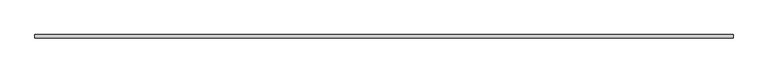
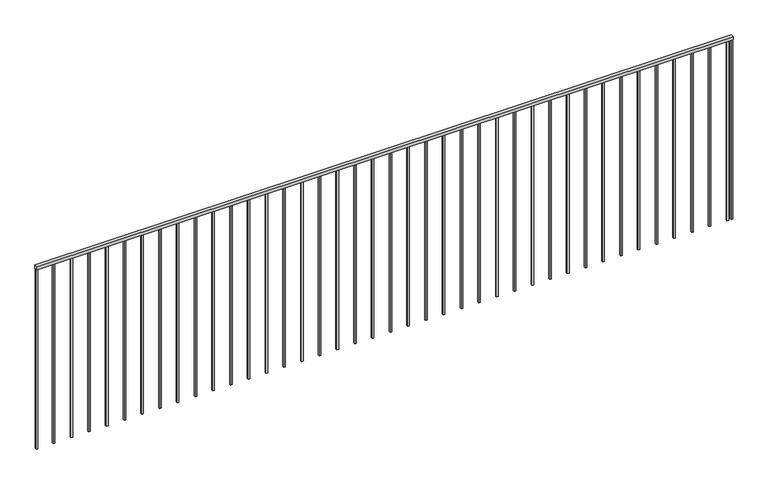
"""IFC4 building model written with IfcOpenShell, lengths in millimetres: railing geometry."""

from ifc_helpers import new_model, si_unit, frame, origin, place, context, project, spatial, polyline, outline, extrude, source, transform, mapped, element, save


def railing_1f9e8721(model_context):
    return source(origin(), model_context, "Body", "SweptSolid", [
        extrude(outline(polyline([(3637.6359883, -10744.8763614), (3637.6359883, -10694.8763614), (14437.6359883, -10694.8763614), (14437.6359883, -10744.8763614), (3637.6359883, -10744.8763614)])), frame((0.0, 0.0, 4850.0), z_axis=(0.0, 0.0, 1.0), x_axis=(1.0, 0.0, 0.0)), (0.0, 0.0, 1.0), 50.0),
        extrude(outline(polyline([(14350.1359883, -10732.3763614), (14350.1359883, -10707.3763614), (14375.1359883, -10707.3763614), (14375.1359883, -10732.3763614), (14350.1359883, -10732.3763614)])), frame((0.0, 0.0, 1900.0), z_axis=(0.0, 0.0, 1.0), x_axis=(1.0, 0.0, 0.0)), (0.0, 0.0, 1.0), 2950.0),
        extrude(outline(polyline([(14075.1359883, -10732.3763614), (14075.1359883, -10707.3763614), (14100.1359883, -10707.3763614), (14100.1359883, -10732.3763614), (14075.1359883, -10732.3763614)])), frame((0.0, 0.0, 1900.0), z_axis=(0.0, 0.0, 1.0), x_axis=(1.0, 0.0, 0.0)), (0.0, 0.0, 1.0), 2950.0),
        extrude(outline(polyline([(13800.1359883, -10732.3763614), (13800.1359883, -10707.3763614), (13825.1359883, -10707.3763614), (13825.1359883, -10732.3763614), (13800.1359883, -10732.3763614)])), frame((0.0, 0.0, 1900.0), z_axis=(0.0, 0.0, 1.0), x_axis=(1.0, 0.0, 0.0)), (0.0, 0.0, 1.0), 2950.0),
        extrude(outline(polyline([(13525.1359883, -10732.3763614), (13525.1359883, -10707.3763614), (13550.1359883, -10707.3763614), (13550.1359883, -10732.3763614), (13525.1359883, -10732.3763614)])), frame((0.0, 0.0, 1900.0), z_axis=(0.0, 0.0, 1.0), x_axis=(1.0, 0.0, 0.0)), (0.0, 0.0, 1.0), 2950.0),
        extrude(outline(polyline([(13250.1359883, -10732.3763614), (13250.1359883, -10707.3763614), (13275.1359883, -10707.3763614), (13275.1359883, -10732.3763614), (13250.1359883, -10732.3763614)])), frame((0.0, 0.0, 1900.0), z_axis=(0.0, 0.0, 1.0), x_axis=(1.0, 0.0, 0.0)), (0.0, 0.0, 1.0), 2950.0),
        extrude(outline(polyline([(12975.1359883, -10732.3763614), (12975.1359883, -10707.3763614), (13000.1359883, -10707.3763614), (13000.1359883, -10732.3763614), (12975.1359883, -10732.3763614)])), frame((0.0, 0.0, 1900.0), z_axis=(0.0, 0.0, 1.0), x_axis=(1.0, 0.0, 0.0)), (0.0, 0.0, 1.0), 2950.0),
        extrude(outline(polyline([(12700.1359883, -10732.3763614), (12700.1359883, -10707.3763614), (12725.1359883, -10707.3763614), (12725.1359883, -10732.3763614), (12700.1359883, -10732.3763614)])), frame((0.0, 0.0, 1900.0), z_axis=(0.0, 0.0, 1.0), x_axis=(1.0, 0.0, 0.0)), (0.0, 0.0, 1.0), 2950.0),
        extrude(outline(polyline([(12425.1359883, -10732.3763614), (12425.1359883, -10707.3763614), (12450.1359883, -10707.3763614), (12450.1359883, -10732.3763614), (12425.1359883, -10732.3763614)])), frame((0.0, 0.0, 1900.0), z_axis=(0.0, 0.0, 1.0), x_axis=(1.0, 0.0, 0.0)), (0.0, 0.0, 1.0), 2950.0),
        extrude(outline(polyline([(12150.1359883, -10732.3763614), (12150.1359883, -10707.3763614), (12175.1359883, -10707.3763614), (12175.1359883, -10732.3763614), (12150.1359883, -10732.3763614)])), frame((0.0, 0.0, 1900.0), z_axis=(0.0, 0.0, 1.0), x_axis=(1.0, 0.0, 0.0)), (0.0, 0.0, 1.0), 2950.0),
        extrude(outline(polyline([(11875.1359883, -10732.3763614), (11875.1359883, -10707.3763614), (11900.1359883, -10707.3763614), (11900.1359883, -10732.3763614), (11875.1359883, -10732.3763614)])), frame((0.0, 0.0, 1900.0), z_axis=(0.0, 0.0, 1.0), x_axis=(1.0, 0.0, 0.0)), (0.0, 0.0, 1.0), 2950.0),
        extrude(outline(polyline([(11600.1359883, -10732.3763614), (11600.1359883, -10707.3763614), (11625.1359883, -10707.3763614), (11625.1359883, -10732.3763614), (11600.1359883, -10732.3763614)])), frame((0.0, 0.0, 1900.0), z_axis=(0.0, 0.0, 1.0), x_axis=(1.0, 0.0, 0.0)), (0.0, 0.0, 1.0), 2950.0),
        extrude(outline(polyline([(11325.1359883, -10732.3763614), (11325.1359883, -10707.3763614), (11350.1359883, -10707.3763614), (11350.1359883, -10732.3763614), (11325.1359883, -10732.3763614)])), frame((0.0, 0.0, 1900.0), z_axis=(0.0, 0.0, 1.0), x_axis=(1.0, 0.0, 0.0)), (0.0, 0.0, 1.0), 2950.0),
        extrude(outline(polyline([(11050.1359883, -10732.3763614), (11050.1359883, -10707.3763614), (11075.1359883, -10707.3763614), (11075.1359883, -10732.3763614), (11050.1359883, -10732.3763614)])), frame((0.0, 0.0, 1900.0), z_axis=(0.0, 0.0, 1.0), x_axis=(1.0, 0.0, 0.0)), (0.0, 0.0, 1.0), 2950.0),
        extrude(outline(polyline([(10775.1359883, -10732.3763614), (10775.1359883, -10707.3763614), (10800.1359883, -10707.3763614), (10800.1359883, -10732.3763614), (10775.1359883, -10732.3763614)])), frame((0.0, 0.0, 1900.0), z_axis=(0.0, 0.0, 1.0), x_axis=(1.0, 0.0, 0.0)), (0.0, 0.0, 1.0), 2950.0),
        extrude(outline(polyline([(10500.1359883, -10732.3763614), (10500.1359883, -10707.3763614), (10525.1359883, -10707.3763614), (10525.1359883, -10732.3763614), (10500.1359883, -10732.3763614)])), frame((0.0, 0.0, 1900.0), z_axis=(0.0, 0.0, 1.0), x_axis=(1.0, 0.0, 0.0)), (0.0, 0.0, 1.0), 2950.0),
        extrude(outline(polyline([(10225.1359883, -10732.3763614), (10225.1359883, -10707.3763614), (10250.1359883, -10707.3763614), (10250.1359883, -10732.3763614), (10225.1359883, -10732.3763614)])), frame((0.0, 0.0, 1900.0), z_axis=(0.0, 0.0, 1.0), x_axis=(1.0, 0.0, 0.0)), (0.0, 0.0, 1.0), 2950.0),
        extrude(outline(polyline([(9950.1359883, -10732.3763614), (9950.1359883, -10707.3763614), (9975.1359883, -10707.3763614), (9975.1359883, -10732.3763614), (9950.1359883, -10732.3763614)])), frame((0.0, 0.0, 1900.0), z_axis=(0.0, 0.0, 1.0), x_axis=(1.0, 0.0, 0.0)), (0.0, 0.0, 1.0), 2950.0),
        extrude(outline(polyline([(9675.1359883, -10732.3763614), (9675.1359883, -10707.3763614), (9700.1359883, -10707.3763614), (9700.1359883, -10732.3763614), (9675.1359883, -10732.3763614)])), frame((0.0, 0.0, 1900.0), z_axis=(0.0, 0.0, 1.0), x_axis=(1.0, 0.0, 0.0)), (0.0, 0.0, 1.0), 2950.0),
        extrude(outline(polyline([(9400.1359883, -10732.3763614), (9400.1359883, -10707.3763614), (9425.1359883, -10707.3763614), (9425.1359883, -10732.3763614), (9400.1359883, -10732.3763614)])), frame((0.0, 0.0, 1900.0), z_axis=(0.0, 0.0, 1.0), x_axis=(1.0, 0.0, 0.0)), (0.0, 0.0, 1.0), 2950.0),
        extrude(outline(polyline([(9125.1359883, -10732.3763614), (9125.1359883, -10707.3763614), (9150.1359883, -10707.3763614), (9150.1359883, -10732.3763614), (9125.1359883, -10732.3763614)])), frame((0.0, 0.0, 1900.0), z_axis=(0.0, 0.0, 1.0), x_axis=(1.0, 0.0, 0.0)), (0.0, 0.0, 1.0), 2950.0),
        extrude(outline(polyline([(8850.1359883, -10732.3763614), (8850.1359883, -10707.3763614), (8875.1359883, -10707.3763614), (8875.1359883, -10732.3763614), (8850.1359883, -10732.3763614)])), frame((0.0, 0.0, 1900.0), z_axis=(0.0, 0.0, 1.0), x_axis=(1.0, 0.0, 0.0)), (0.0, 0.0, 1.0), 2950.0),
        extrude(outline(polyline([(8575.1359883, -10732.3763614), (8575.1359883, -10707.3763614), (8600.1359883, -10707.3763614), (8600.1359883, -10732.3763614), (8575.1359883, -10732.3763614)])), frame((0.0, 0.0, 1900.0), z_axis=(0.0, 0.0, 1.0), x_axis=(1.0, 0.0, 0.0)), (0.0, 0.0, 1.0), 2950.0),
        extrude(outline(polyline([(8300.1359883, -10732.3763614), (8300.1359883, -10707.3763614), (8325.1359883, -10707.3763614), (8325.1359883, -10732.3763614), (8300.1359883, -10732.3763614)])), frame((0.0, 0.0, 1900.0), z_axis=(0.0, 0.0, 1.0), x_axis=(1.0, 0.0, 0.0)), (0.0, 0.0, 1.0), 2950.0),
        extrude(outline(polyline([(8025.1359883, -10732.3763614), (8025.1359883, -10707.3763614), (8050.1359883, -10707.3763614), (8050.1359883, -10732.3763614), (8025.1359883, -10732.3763614)])), frame((0.0, 0.0, 1900.0), z_axis=(0.0, 0.0, 1.0), x_axis=(1.0, 0.0, 0.0)), (0.0, 0.0, 1.0), 2950.0),
        extrude(outline(polyline([(7750.1359883, -10732.3763614), (7750.1359883, -10707.3763614), (7775.1359883, -10707.3763614), (7775.1359883, -10732.3763614), (7750.1359883, -10732.3763614)])), frame((0.0, 0.0, 1900.0), z_axis=(0.0, 0.0, 1.0), x_axis=(1.0, 0.0, 0.0)), (0.0, 0.0, 1.0), 2950.0),
        extrude(outline(polyline([(7475.1359883, -10732.3763614), (7475.1359883, -10707.3763614), (7500.1359883, -10707.3763614), (7500.1359883, -10732.3763614), (7475.1359883, -10732.3763614)])), frame((0.0, 0.0, 1900.0), z_axis=(0.0, 0.0, 1.0), x_axis=(1.0, 0.0, 0.0)), (0.0, 0.0, 1.0), 2950.0),
        extrude(outline(polyline([(7200.1359883, -10732.3763614), (7200.1359883, -10707.3763614), (7225.1359883, -10707.3763614), (7225.1359883, -10732.3763614), (7200.1359883, -10732.3763614)])), frame((0.0, 0.0, 1900.0), z_axis=(0.0, 0.0, 1.0), x_axis=(1.0, 0.0, 0.0)), (0.0, 0.0, 1.0), 2950.0),
        extrude(outline(polyline([(6925.1359883, -10732.3763614), (6925.1359883, -10707.3763614), (6950.1359883, -10707.3763614), (6950.1359883, -10732.3763614), (6925.1359883, -10732.3763614)])), frame((0.0, 0.0, 1900.0), z_axis=(0.0, 0.0, 1.0), x_axis=(1.0, 0.0, 0.0)), (0.0, 0.0, 1.0), 2950.0),
        extrude(outline(polyline([(6650.1359883, -10732.3763614), (6650.1359883, -10707.3763614), (6675.1359883, -10707.3763614), (6675.1359883, -10732.3763614), (6650.1359883, -10732.3763614)])), frame((0.0, 0.0, 1900.0), z_axis=(0.0, 0.0, 1.0), x_axis=(1.0, 0.0, 0.0)), (0.0, 0.0, 1.0), 2950.0),
        extrude(outline(polyline([(6375.1359883, -10732.3763614), (6375.1359883, -10707.3763614), (6400.1359883, -10707.3763614), (6400.1359883, -10732.3763614), (6375.1359883, -10732.3763614)])), frame((0.0, 0.0, 1900.0), z_axis=(0.0, 0.0, 1.0), x_axis=(1.0, 0.0, 0.0)), (0.0, 0.0, 1.0), 2950.0),
        extrude(outline(polyline([(6100.1359883, -10732.3763614), (6100.1359883, -10707.3763614), (6125.1359883, -10707.3763614), (6125.1359883, -10732.3763614), (6100.1359883, -10732.3763614)])), frame((0.0, 0.0, 1900.0), z_axis=(0.0, 0.0, 1.0), x_axis=(1.0, 0.0, 0.0)), (0.0, 0.0, 1.0), 2950.0),
        extrude(outline(polyline([(5825.1359883, -10732.3763614), (5825.1359883, -10707.3763614), (5850.1359883, -10707.3763614), (5850.1359883, -10732.3763614), (5825.1359883, -10732.3763614)])), frame((0.0, 0.0, 1900.0), z_axis=(0.0, 0.0, 1.0), x_axis=(1.0, 0.0, 0.0)), (0.0, 0.0, 1.0), 2950.0),
        extrude(outline(polyline([(5550.1359883, -10732.3763614), (5550.1359883, -10707.3763614), (5575.1359883, -10707.3763614), (5575.1359883, -10732.3763614), (5550.1359883, -10732.3763614)])), frame((0.0, 0.0, 1900.0), z_axis=(0.0, 0.0, 1.0), x_axis=(1.0, 0.0, 0.0)), (0.0, 0.0, 1.0), 2950.0),
        extrude(outline(polyline([(5275.1359883, -10732.3763614), (5275.1359883, -10707.3763614), (5300.1359883, -10707.3763614), (5300.1359883, -10732.3763614), (5275.1359883, -10732.3763614)])), frame((0.0, 0.0, 1900.0), z_axis=(0.0, 0.0, 1.0), x_axis=(1.0, 0.0, 0.0)), (0.0, 0.0, 1.0), 2950.0),
        extrude(outline(polyline([(5000.1359883, -10732.3763614), (5000.1359883, -10707.3763614), (5025.1359883, -10707.3763614), (5025.1359883, -10732.3763614), (5000.1359883, -10732.3763614)])), frame((0.0, 0.0, 1900.0), z_axis=(0.0, 0.0, 1.0), x_axis=(1.0, 0.0, 0.0)), (0.0, 0.0, 1.0), 2950.0),
        extrude(outline(polyline([(4725.1359883, -10732.3763614), (4725.1359883, -10707.3763614), (4750.1359883, -10707.3763614), (4750.1359883, -10732.3763614), (4725.1359883, -10732.3763614)])), frame((0.0, 0.0, 1900.0), z_axis=(0.0, 0.0, 1.0), x_axis=(1.0, 0.0, 0.0)), (0.0, 0.0, 1.0), 2950.0),
        extrude(outline(polyline([(4450.1359883, -10732.3763614), (4450.1359883, -10707.3763614), (4475.1359883, -10707.3763614), (4475.1359883, -10732.3763614), (4450.1359883, -10732.3763614)])), frame((0.0, 0.0, 1900.0), z_axis=(0.0, 0.0, 1.0), x_axis=(1.0, 0.0, 0.0)), (0.0, 0.0, 1.0), 2950.0),
        extrude(outline(polyline([(4175.1359883, -10732.3763614), (4175.1359883, -10707.3763614), (4200.1359883, -10707.3763614), (4200.1359883, -10732.3763614), (4175.1359883, -10732.3763614)])), frame((0.0, 0.0, 1900.0), z_axis=(0.0, 0.0, 1.0), x_axis=(1.0, 0.0, 0.0)), (0.0, 0.0, 1.0), 2950.0),
        extrude(outline(polyline([(3900.1359883, -10732.3763614), (3900.1359883, -10707.3763614), (3925.1359883, -10707.3763614), (3925.1359883, -10732.3763614), (3900.1359883, -10732.3763614)])), frame((0.0, 0.0, 1900.0), z_axis=(0.0, 0.0, 1.0), x_axis=(1.0, 0.0, 0.0)), (0.0, 0.0, 1.0), 2950.0),
        extrude(outline(polyline([(14412.6359883, -10732.3763614), (14412.6359883, -10707.3763614), (14437.6359883, -10707.3763614), (14437.6359883, -10732.3763614), (14412.6359883, -10732.3763614)])), frame((0.0, 0.0, 1900.0), z_axis=(0.0, 0.0, 1.0), x_axis=(1.0, 0.0, 0.0)), (0.0, 0.0, 1.0), 2950.0),
        extrude(outline(polyline([(3637.6359883, -10732.3763614), (3637.6359883, -10707.3763614), (3662.6359883, -10707.3763614), (3662.6359883, -10732.3763614), (3637.6359883, -10732.3763614)])), frame((0.0, 0.0, 1900.0), z_axis=(0.0, 0.0, 1.0), x_axis=(1.0, 0.0, 0.0)), (0.0, 0.0, 1.0), 2950.0),
    ])


if __name__ == "__main__":
    model = new_model("IFC4")
    model_context = context("Model", 3, world=origin())
    ifc_project = project(units=[si_unit("LENGTHUNIT", "METRE", prefix="MILLI")], contexts=[model_context])
    site = spatial("IfcSite", under=ifc_project)
    building = spatial("IfcBuilding", under=site)
    placement = place(None, origin())
    railing_shape = railing_1f9e8721(model_context)
    element("IfcRailing", 1, at=placement, inside=building, context=model_context, shape_type="MappedRepresentation", body=[
        mapped(railing_shape, transform((0.0, 0.0, 0.0), x_axis=(1.0, 0.0, 0.0), y_axis=(0.0, 1.0, 0.0), z_axis=(0.0, 0.0, 1.0))),
    ])
    save(model, "model.ifc")
